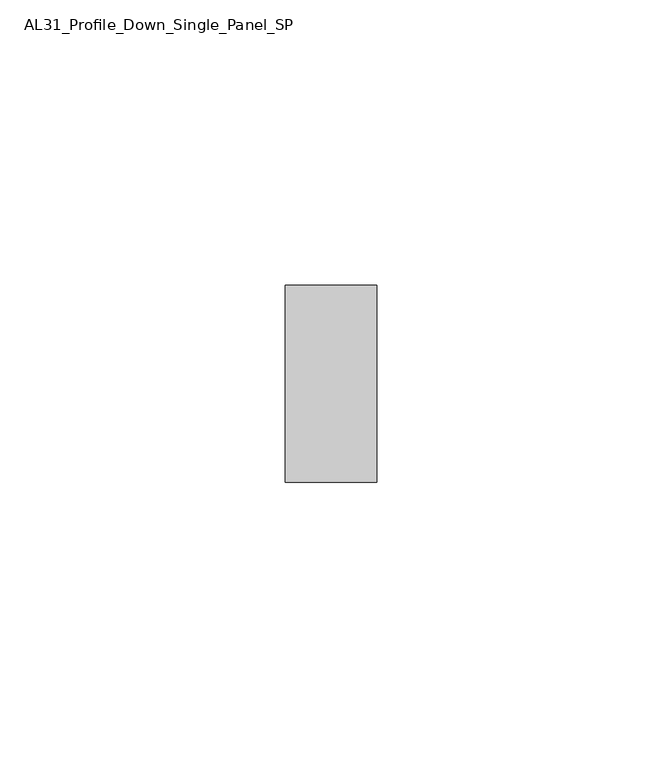
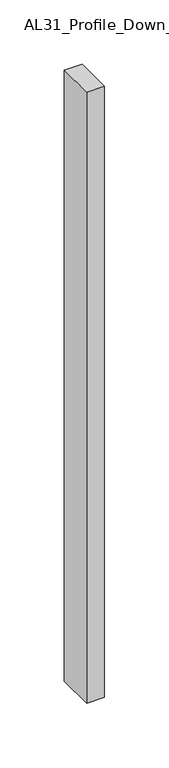
"""IFC4 building model written with IfcOpenShell, lengths in millimetres: member geometry, AL31_Profile_Down_Single_Panel_SP."""

from ifc_helpers import new_model, si_unit, frame, origin, place, context, project, spatial, polyline, outline, extrude, source, transform, mapped, element, save


def al31_profile_down_single_panel_sp_8a02e3aa(model_context):
    return source(origin(), model_context, "Body", "SweptSolid", [
        extrude(outline(polyline([(0.0, -17.25), (-16.0, -17.25), (-16.0, 17.25), (0.0, 17.25), (0.0, -17.25)])), frame((0.0, 0.0, -580.0), z_axis=(0.0, 0.0, 1.0), x_axis=(1.0, 0.0, 0.0)), (0.0, 0.0, 1.0), 580.0),
    ])


if __name__ == "__main__":
    model = new_model("IFC4")
    model_context = context("Model", 3, world=origin())
    ifc_project = project(units=[si_unit("LENGTHUNIT", "METRE", prefix="MILLI")], contexts=[model_context])
    site = spatial("IfcSite", under=ifc_project)
    building = spatial("IfcBuilding", under=site)
    placement = place(None, origin())
    al31_profile_down_single_panel_sp_shape = al31_profile_down_single_panel_sp_8a02e3aa(model_context)
    element("IfcMember", 1, ObjectType="AL31_Profile_Down_Single_Panel_SP", at=placement, inside=building, context=model_context, shape_type="MappedRepresentation", body=[
        mapped(al31_profile_down_single_panel_sp_shape, transform((0.0, 0.0, 0.0), x_axis=(1.0, 0.0, 0.0), y_axis=(0.0, 1.0, 0.0), z_axis=(0.0, 0.0, 1.0))),
    ])
    save(model, "model.ifc")
